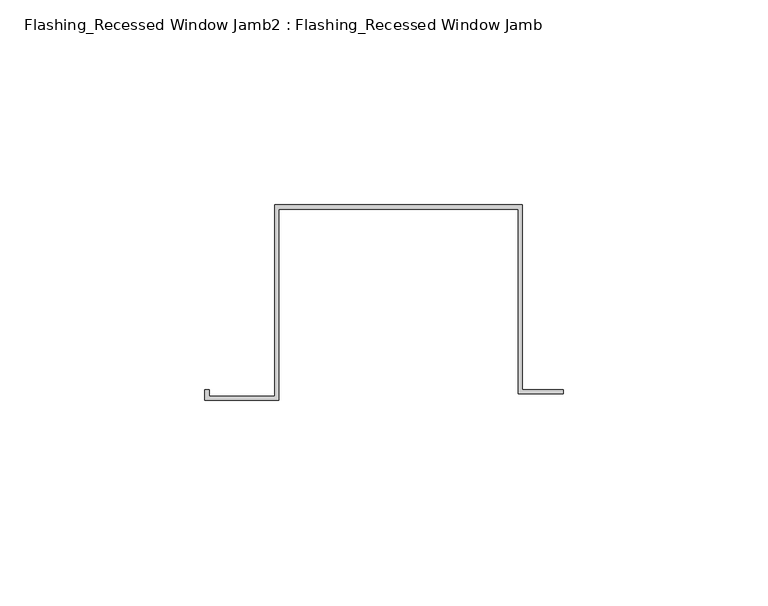
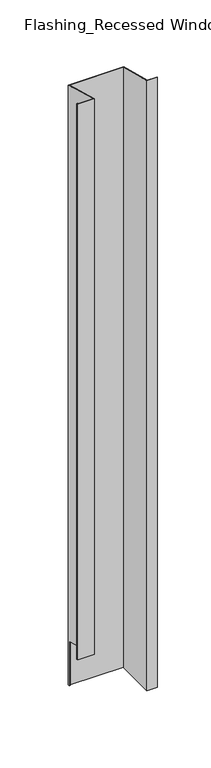
"""IFC4 building model written with IfcOpenShell, lengths in millimetres: proxy geometry, Flashing_Recessed Window Jamb2 : Flashing_Recessed Window Jamb."""

import ifcopenshell
import ifcopenshell.guid

model = None  # the IFC model being written
_history = None  # IfcOwnerHistory: only IFC2X3 demands one
_inside = {}  # id of a spatial element -> (the spatial element, [elements in it])
_under = {}  # id of a project, library or spatial element -> (it, [spatial elements below it])
_declared = {}  # id of a project -> (the project, [libraries it declares])
_typed = {}  # id of a type object -> (the type object, [elements of that type])
_made_of = {}  # id of a material, layer set ... -> (it, [elements and type objects made of it])


def new_model(schema):
    """Start an empty IFC model of exactly this schema.

    Asked for "IFC4X3", IfcOpenShell would pick the latest addendum, in which some entities
    have other attributes; the version numbers below select the first issue.
    IFC2X3 requires an IfcOwnerHistory on every rooted entity: one is made here for all.
    """
    global model, _history
    if schema == "IFC4X3":
        model = ifcopenshell.file(schema_version=(4, 3, 0, 0))
    else:
        model = ifcopenshell.file(schema=schema)
    _inside.clear()
    _under.clear()
    _declared.clear()
    _typed.clear()
    _made_of.clear()
    _history = None
    if model.schema == "IFC2X3":
        org = make("IfcOrganization", Name="unknown")
        user = make(
            "IfcPersonAndOrganization",
            ThePerson=make("IfcPerson", FamilyName="unknown"),
            TheOrganization=org,
        )
        app = make(
            "IfcApplication",
            ApplicationDeveloper=org,
            Version="unknown",
            ApplicationFullName="unknown",
            ApplicationIdentifier="unknown",
        )
        _history = make(
            "IfcOwnerHistory",
            OwningUser=user,
            OwningApplication=app,
            ChangeAction="ADDED",
            CreationDate=0,
        )
    return model


def make(cls, **values):
    """One entity of the class cls with the attributes given. An attribute that is None is left unset."""
    return model.create_entity(
        cls, **{name: value for name, value in values.items() if value is not None}
    )


def rooted(cls, **values):
    """An entity with a GlobalId (a new one), such as an element, a storey or a relation."""
    return make(cls, GlobalId=ifcopenshell.guid.new(), OwnerHistory=_history, **values)


def si_unit(unit_type, name, prefix=None):
    """IfcSIUnit, for example si_unit("LENGTHUNIT", "METRE", prefix="MILLI")."""
    return make("IfcSIUnit", UnitType=unit_type, Prefix=prefix, Name=name)


def assignment(units):
    """IfcUnitAssignment: the units of a project."""
    return None if units is None else make("IfcUnitAssignment", Units=units)


def point(xyz):
    """IfcCartesianPoint."""
    return None if xyz is None else make("IfcCartesianPoint", Coordinates=xyz)


def direction(xyz):
    """IfcDirection."""
    return None if xyz is None else make("IfcDirection", DirectionRatios=xyz)


def frame(location, z_axis=None, x_axis=None):
    """IfcAxis2Placement3D, a coordinate frame: its origin and axes. An axis left out is left unset."""
    return make(
        "IfcAxis2Placement3D",
        Location=point(location),
        Axis=direction(z_axis),
        RefDirection=direction(x_axis),
    )


def origin():
    """The frame at (0, 0, 0) with its axes left unset."""
    return frame((0.0, 0.0, 0.0))


def place(relative_to, where):
    """IfcLocalPlacement: puts the frame where relative to a parent placement (None: the world)."""
    return make(
        "IfcLocalPlacement", PlacementRelTo=relative_to, RelativePlacement=where
    )


def context(
    kind, dimensions, precision=None, world=None, true_north=None, identifier=None
):
    """IfcGeometricRepresentationContext, for example the 3D "Model" context."""
    return make(
        "IfcGeometricRepresentationContext",
        ContextIdentifier=identifier,
        ContextType=kind,
        CoordinateSpaceDimension=dimensions,
        Precision=precision,
        WorldCoordinateSystem=world,
        TrueNorth=true_north,
    )


def project(units=None, contexts=None):
    """IfcProject with its units and contexts."""
    return rooted(
        "IfcProject",
        Name="project",
        RepresentationContexts=contexts,
        UnitsInContext=assignment(units),
    )


def spatial(cls, under=None, at=None, **own):
    """A site, building, storey or space (cls), placed at a placement, below another one or the project."""
    s = rooted(cls, ObjectPlacement=at, **own)
    if under is not None:
        _under.setdefault(under.id(), (under, []))[1].append(s)
    return s


def faces_of(points, faces, orient=None, outer=None):
    """IfcFace entities. A face is a list of loops; a loop is a list of indices into points, from 0.

    orient and outer hold one flag for each loop. By default every Orientation is true, the
    first loop of a face is its IfcFaceOuterBound and the others are IfcFaceBound.
    """
    made = []
    for i, loops in enumerate(faces):
        bounds = []
        for j, loop in enumerate(loops):
            is_outer = j == 0 if outer is None else outer[i][j]
            bounds.append(
                make(
                    "IfcFaceOuterBound" if is_outer else "IfcFaceBound",
                    Bound=make("IfcPolyLoop", Polygon=[points[k] for k in loop]),
                    Orientation=True if orient is None else orient[i][j],
                )
            )
        made.append(make("IfcFace", Bounds=bounds))
    return made


def faceted_brep(points, faces, orient=None, outer=None, voids=None):
    """IfcFacetedBrep: a solid bounded by flat faces; with voids (closed shells), ...WithVoids."""
    shared = [point(p) for p in points]
    hull = make("IfcClosedShell", CfsFaces=faces_of(shared, faces, orient, outer))
    if voids is None:
        return make("IfcFacetedBrep", Outer=hull)
    return make(
        "IfcFacetedBrepWithVoids",
        Outer=hull,
        Voids=[
            make(cls, CfsFaces=faces_of(shared, fs, o, b)) for cls, fs, o, b in voids
        ],
    )


def shape(context_of_items, identifier, shape_type, items):
    """IfcShapeRepresentation: the items that make up one representation, for example the "Body"."""
    return make(
        "IfcShapeRepresentation",
        ContextOfItems=context_of_items,
        RepresentationIdentifier=identifier,
        RepresentationType=shape_type,
        Items=items,
    )


def source(mapping_origin, context_of_items, identifier, shape_type, items):
    """IfcRepresentationMap: a shape defined once, which mapped items show again and again."""
    return make(
        "IfcRepresentationMap",
        MappingOrigin=mapping_origin,
        MappedRepresentation=shape(context_of_items, identifier, shape_type, items),
    )


def transform(
    local_origin,
    x_axis=None,
    y_axis=None,
    z_axis=None,
    scale=None,
    scale2=None,
    scale3=None,
    uniform=True,
):
    """IfcCartesianTransformationOperator3D, or its non-uniform kind. x_axis, y_axis, z_axis: its Axis1, 2, 3."""
    if uniform:
        return make(
            "IfcCartesianTransformationOperator3D",
            Axis1=direction(x_axis),
            Axis2=direction(y_axis),
            LocalOrigin=point(local_origin),
            Scale=scale,
            Axis3=direction(z_axis),
        )
    return make(
        "IfcCartesianTransformationOperator3DnonUniform",
        Axis1=direction(x_axis),
        Axis2=direction(y_axis),
        LocalOrigin=point(local_origin),
        Scale=scale,
        Axis3=direction(z_axis),
        Scale2=scale2,
        Scale3=scale3,
    )


def mapped(mapping_source, mapping_target):
    """IfcMappedItem: shows the shape of a source again, moved by a transform."""
    return make(
        "IfcMappedItem", MappingSource=mapping_source, MappingTarget=mapping_target
    )


def made_of(thing, what):
    """Note that an element or type object is made of a material, layer set ...; save() writes the relation."""
    if what is not None:
        _made_of.setdefault(what.id(), (what, []))[1].append(thing)
    return thing


def element(
    cls,
    number,
    at=None,
    inside=None,
    cuts=None,
    type_object=None,
    material=None,
    context=None,
    identifier="Body",
    shape_type=None,
    held_by="IfcProductDefinitionShape",
    body=None,
    shapes=None,
    **own,
):
    """One element of the class cls, such as IfcWall. Its Tag is "e" and its number.

    at: its placement. inside: the storey or other place that contains it. cuts: it is an
    opening in that element (IfcRelVoidsElement). A single representation is given by context,
    identifier, shape_type and body (its items); several are given by shapes. held_by: the class
    of the entity that holds the representations. save() writes the other relations.
    """
    e = rooted(cls, Tag="e%d" % number, ObjectPlacement=at, **own)
    if body is not None:
        shapes = [shape(context, identifier, shape_type, body)]
    if shapes is not None:
        e.Representation = make(held_by, Representations=shapes)
    if inside is not None:
        _inside.setdefault(inside.id(), (inside, []))[1].append(e)
    if cuts is not None:
        rooted(
            "IfcRelVoidsElement", RelatingBuildingElement=cuts, RelatedOpeningElement=e
        )
    if type_object is not None:
        _typed.setdefault(type_object.id(), (type_object, []))[1].append(e)
    return made_of(e, material)


def aggregate(whole, parts):
    """IfcRelAggregates: a whole, such as a stair, and the parts it consists of."""
    return rooted("IfcRelAggregates", RelatingObject=whole, RelatedObjects=parts)


def save(model, path):
    """Write the relations noted so far, then the file.

    IfcRelAggregates (storeys below a building ...), IfcRelContainedInSpatialStructure (elements
    in a storey), IfcRelDefinesByType, IfcRelAssociatesMaterial and IfcRelDeclares: one each for
    every whole, place, type object, material and project.
    """
    for whole, parts in _under.values():
        aggregate(whole, parts)
    for where, things in _inside.values():
        rooted(
            "IfcRelContainedInSpatialStructure",
            RelatedElements=things,
            RelatingStructure=where,
        )
    for kind, things in _typed.values():
        rooted("IfcRelDefinesByType", RelatedObjects=things, RelatingType=kind)
    for what, things in _made_of.values():
        rooted("IfcRelAssociatesMaterial", RelatedObjects=things, RelatingMaterial=what)
    for by, libraries in _declared.values():
        rooted("IfcRelDeclares", RelatingContext=by, RelatedDefinitions=libraries)
    model.write(path)


def flashing_recessed_window_jamb2_flashing_recessed_window_jamb_e61e3ae4(model_context):
    return source(origin(), model_context, "Body", "Brep", [
        faceted_brep([(9685.8470781, 612.6523812, -1036.7382524), (9685.8470781, 657.7344915, -1036.7382524), (9627.4791786, 657.7344915, -1036.7382524), (9627.4791786, 656.8026399, -1036.7382524), (9626.4791786, 656.8026399, -1036.7382524), (9626.4791786, 658.7344915, -1036.7382524), (9686.8470781, 658.7344915, -1036.7382524), (9686.8470781, 613.6523812, -1036.7382524), (9696.8470781, 613.6523812, -1036.7382524), (9696.8470781, 612.6523812, -1036.7382524), (9686.8470781, 658.7344915, -343.2151173), (9686.8470781, 613.6523812, -331.1354023), (9626.4791786, 658.7344915, -343.2151173), (9626.4791786, 656.8026399, -985.662203), (9626.4791786, 612.0490096, -973.6705039), (9626.4791786, 612.0490096, -330.7057801), (9610.4479286, 612.0490096, -330.7057801), (9610.4479286, 612.0490096, -973.6705039), (9610.4479286, 613.5934881, -331.1196219), (9610.4479286, 613.5934881, -974.0843457), (9609.4479286, 613.5934881, -331.1196219), (9609.4479286, 613.5934881, -974.0843457), (9609.4479286, 611.0490096, -330.4378309), (9609.4479286, 611.0490096, -973.4025548), (9627.4791786, 611.0490096, -330.4378309), (9627.4791786, 611.0490096, -973.4025548), (9627.4791786, 657.7344915, -342.9471681), (9627.4791786, 656.8026399, -985.662203), (9685.8470781, 657.7344915, -342.9471681), (9685.8470781, 612.6523812, -330.8674531), (9696.8470781, 612.6523812, -330.8674531), (9696.8470781, 613.6523812, -331.1354023)], [[[0, 1, 2, 3, 4, 5, 6, 7, 8, 9]], [[7, 6, 10, 11]], [[6, 5, 12, 10]], [[12, 5, 4, 13, 14, 15]], [[16, 15, 14, 17]], [[18, 16, 17, 19]], [[20, 18, 19, 21]], [[22, 20, 21, 23]], [[24, 22, 23, 25]], [[2, 26, 24, 25, 27, 3]], [[2, 1, 28, 26]], [[1, 0, 29, 28]], [[0, 9, 30, 29]], [[9, 8, 31, 30]], [[8, 7, 11, 31]], [[11, 10, 12, 15, 16, 18, 20, 22, 24, 26, 28, 29, 30, 31]], [[13, 27, 25, 23, 21, 19, 17, 14]], [[27, 13, 4, 3]]]),
    ])


if __name__ == "__main__":
    model = new_model("IFC4")
    model_context = context("Model", 3, world=origin())
    ifc_project = project(units=[si_unit("LENGTHUNIT", "METRE", prefix="MILLI")], contexts=[model_context])
    site = spatial("IfcSite", under=ifc_project)
    building = spatial("IfcBuilding", under=site)
    placement = place(None, origin())
    flashing_recessed_window_jamb2_flashing_recessed_window_jamb_shape = flashing_recessed_window_jamb2_flashing_recessed_window_jamb_e61e3ae4(model_context)
    element("IfcBuildingElementProxy", 1, Name="Flashing_Recessed Window Jamb2 : Flashing_Recessed Window Jamb", ObjectType="Flashing_Recessed Window Jamb2 : Flashing_Recessed Window Jamb", at=placement, inside=building, context=model_context, shape_type="MappedRepresentation", body=[
        mapped(flashing_recessed_window_jamb2_flashing_recessed_window_jamb_shape, transform((0.0, 0.0, 0.0), x_axis=(1.0, 0.0, 0.0), y_axis=(0.0, 1.0, 0.0), z_axis=(0.0, 0.0, 1.0))),
    ])
    save(model, "model.ifc")
